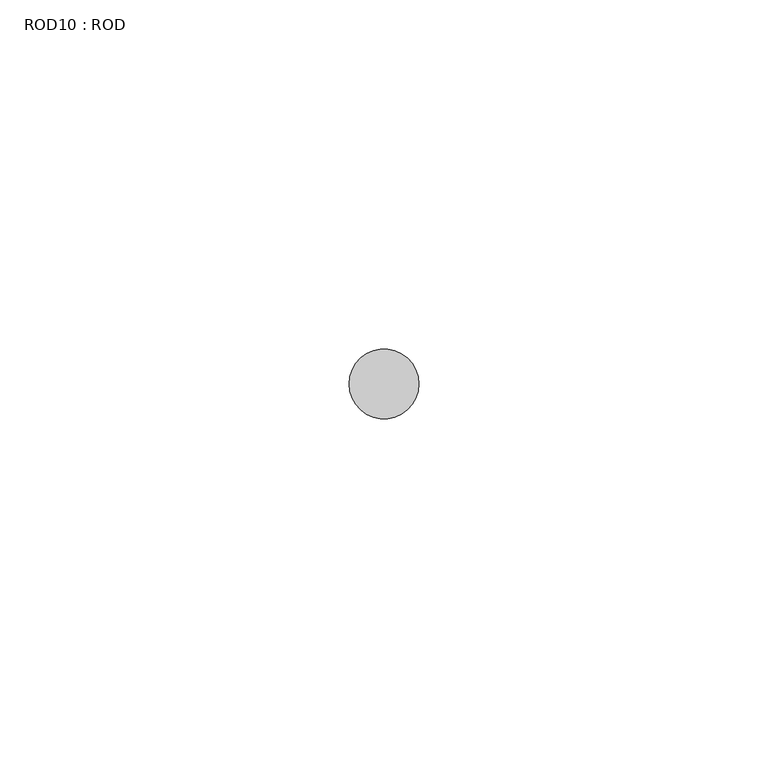
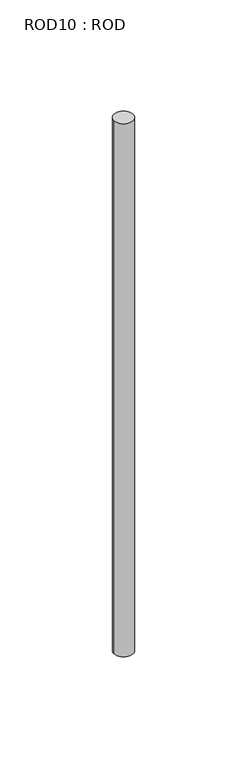
"""IFC4 building model written with IfcOpenShell, lengths in millimetres: proxy geometry, ROD10 : ROD."""

from ifc_helpers import new_model, si_unit, point, frame, frame_2d, origin, place, context, project, spatial, circle_curve, trimmed, segment, composite_curve, outline, extrude, source, transform, mapped, element, save


def rod10_rod_b5993e40(model_context):
    return source(origin(), model_context, "Body", "SweptSolid", [
        extrude(outline(composite_curve([segment(trimmed(circle_curve(frame_2d((-9420.2326676, -1114.6300853)), 5.0), [point((-9425.2326676, -1114.6300853))], [point((-9415.2326676, -1114.6300853))], False, "CARTESIAN"), True, "CONTINUOUS"), segment(trimmed(circle_curve(frame_2d((-9420.2326676, -1114.6300853)), 5.0), [point((-9415.2326676, -1114.6300853))], [point((-9425.2326676, -1114.6300853))], False, "CARTESIAN"), True, "CONTINUOUS")], self_intersect=False)), frame((0.0, 0.0, -208.6608845), z_axis=(0.0, 0.0, 1.0), x_axis=(1.0, 0.0, 0.0)), (0.0, 0.0, 1.0), 298.9028972),
    ])


if __name__ == "__main__":
    model = new_model("IFC4")
    model_context = context("Model", 3, world=origin())
    ifc_project = project(units=[si_unit("LENGTHUNIT", "METRE", prefix="MILLI")], contexts=[model_context])
    site = spatial("IfcSite", under=ifc_project)
    building = spatial("IfcBuilding", under=site)
    placement = place(None, origin())
    rod10_rod_shape = rod10_rod_b5993e40(model_context)
    element("IfcBuildingElementProxy", 1, Name="ROD10 : ROD", ObjectType="ROD10 : ROD", at=placement, inside=building, context=model_context, shape_type="MappedRepresentation", body=[
        mapped(rod10_rod_shape, transform((0.0, 0.0, 0.0), x_axis=(1.0, 0.0, 0.0), y_axis=(0.0, 1.0, 0.0), z_axis=(0.0, 0.0, 1.0))),
    ])
    save(model, "model.ifc")
